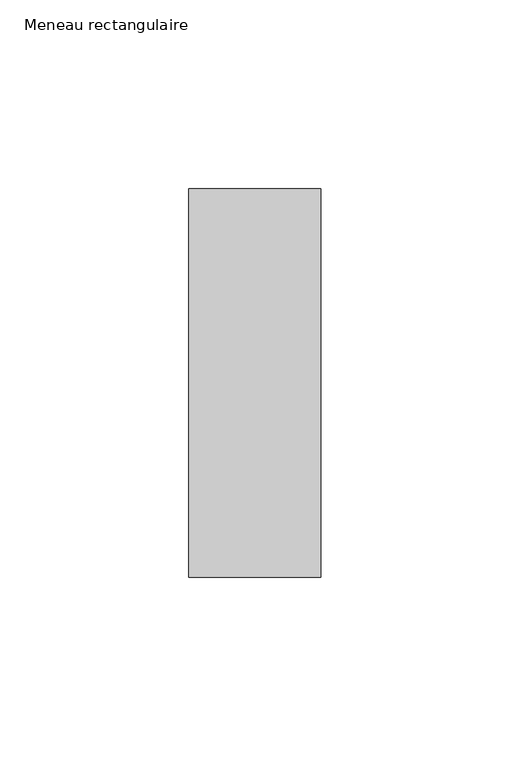
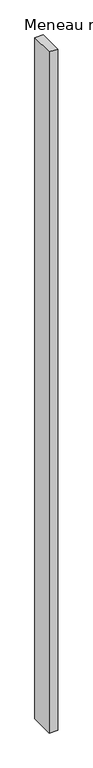
"""IFC4 building model written with IfcOpenShell, lengths in millimetres: member geometry, Meneau rectangulaire."""

from ifc_helpers import new_model, si_unit, frame, origin, place, context, project, spatial, polyline, outline, extrude, source, transform, mapped, element, save


def meneau_rectangulaire_60b53392(model_context):
    return source(origin(), model_context, "Body", "SweptSolid", [
        extrude(outline(polyline([(-35.0562434, 51.4988742), (0.0, 51.4988742), (0.0, -51.4988742), (-35.0562434, -51.4988742), (-35.0562434, 51.4988742)])), frame((0.0, 0.0, -3000.0), z_axis=(0.0, 0.0, 1.0), x_axis=(1.0, 0.0, 0.0)), (0.0, 0.0, 1.0), 3000.0),
    ])


if __name__ == "__main__":
    model = new_model("IFC4")
    model_context = context("Model", 3, world=origin())
    ifc_project = project(units=[si_unit("LENGTHUNIT", "METRE", prefix="MILLI")], contexts=[model_context])
    site = spatial("IfcSite", under=ifc_project)
    building = spatial("IfcBuilding", under=site)
    placement = place(None, origin())
    meneau_rectangulaire_shape = meneau_rectangulaire_60b53392(model_context)
    element("IfcMember", 1, ObjectType="Meneau rectangulaire", at=placement, inside=building, context=model_context, shape_type="MappedRepresentation", body=[
        mapped(meneau_rectangulaire_shape, transform((0.0, 0.0, 0.0), x_axis=(1.0, 0.0, 0.0), y_axis=(0.0, 1.0, 0.0), z_axis=(0.0, 0.0, 1.0))),
    ])
    save(model, "model.ifc")
